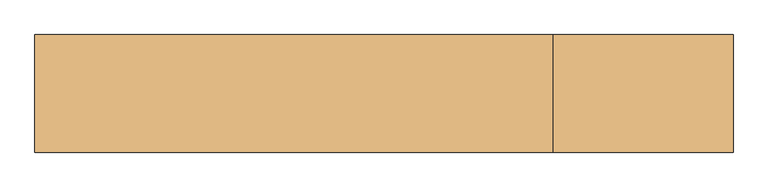
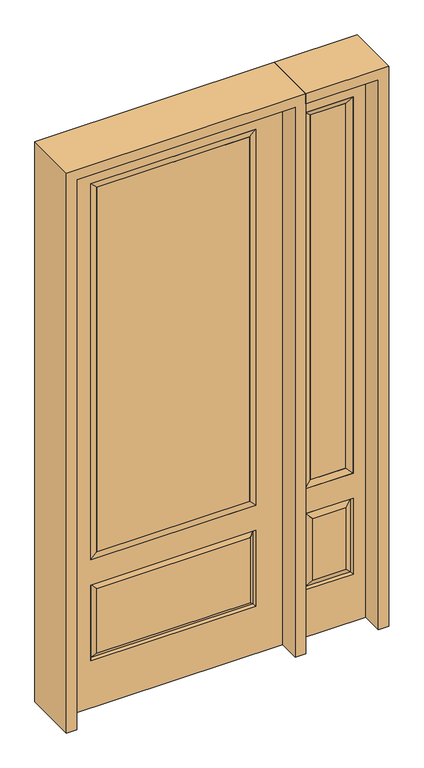
"""IFC4 building model written with IfcOpenShell, lengths in millimetres: door geometry."""

from ifc_helpers import new_model, si_unit, frame, origin, place, context, project, spatial, polyline, outline, extrude, faceted_brep, source, transform, mapped, element, save


def door_d83573a1(model_context):
    return source(origin(), model_context, "Body", "SolidModel", [
        faceted_brep([(501.65, -22.225, 0.0), (806.45, -22.225, 0.0), (806.45, -22.225, 2438.4), (501.65, -22.225, 2438.4), (754.38, -22.225, 2325.624), (754.38, -22.225, 657.098), (553.72, -22.225, 657.098), (553.72, -22.225, 2325.624), (754.38, -22.225, 209.55), (553.72, -22.225, 209.55), (553.72, -22.225, 546.1), (754.38, -22.225, 546.1), (585.4351001, -22.225, 241.2651001), (722.6648999, -22.225, 241.2651001), (722.6648999, -22.225, 514.3848999), (585.4351001, -22.225, 514.3848999), (501.65, 22.225, 0.0), (501.65, 22.225, 2438.4), (806.45, 22.225, 2438.4), (806.45, 22.225, 0.0), (754.38, 22.225, 2325.624), (553.72, 22.225, 2325.624), (553.72, 22.225, 657.098), (754.38, 22.225, 657.098), (553.72, 22.225, 209.55), (754.38, 22.225, 209.55), (754.38, 22.225, 546.1), (553.72, 22.225, 546.1), (722.6648999, 22.225, 241.2651001), (585.4351001, 22.225, 241.2651001), (585.4351001, 22.225, 514.3848999), (722.6648999, 22.225, 514.3848999), (747.2711499, 12.7912373, 216.6588501), (560.8288501, 12.7912373, 216.6588501), (560.8288501, 12.7912373, 538.9911499), (747.2711499, 12.7912373, 538.9911499), (560.8288501, -12.7912373, 216.6588501), (747.2711499, -12.7912373, 216.6588501), (560.8288501, -12.7912373, 538.9911499), (747.2711499, -12.7912373, 538.9911499)], [[[0, 1, 2, 3], [4, 5, 6, 7], [8, 9, 10, 11]], [[12, 13, 14, 15]], [[16, 17, 18, 19], [20, 21, 22, 23], [24, 25, 26, 27]], [[28, 29, 30, 31]], [[1, 0, 16, 19]], [[2, 1, 19, 18]], [[3, 2, 18, 17]], [[0, 3, 17, 16]], [[5, 4, 20, 23]], [[6, 5, 23, 22]], [[7, 6, 22, 21]], [[4, 7, 21, 20]], [[32, 33, 29, 28]], [[33, 32, 25, 24]], [[29, 33, 34, 30]], [[33, 24, 27, 34]], [[30, 34, 35, 31]], [[34, 27, 26, 35]], [[32, 28, 31, 35]], [[25, 32, 35, 26]], [[12, 36, 37, 13]], [[37, 36, 9, 8]], [[36, 12, 15, 38]], [[9, 36, 38, 10]], [[38, 15, 14, 39]], [[10, 38, 39, 11]], [[13, 37, 39, 14]], [[37, 8, 11, 39]]]),
        faceted_brep([(553.72, 22.225, 2325.624), (553.72, -22.225, 2325.624), (754.38, -22.225, 2325.624), (754.38, 22.225, 2325.624), (579.12, 12.7, 2300.224), (728.98, 12.7, 2300.224), (579.12, -12.7, 2300.224), (728.98, -12.7, 2300.224), (754.38, -22.225, 657.098), (754.38, 22.225, 657.098), (728.98, 12.7, 682.498), (728.98, -12.7, 682.498), (553.72, -22.225, 657.098), (553.72, 22.225, 657.098), (579.12, 12.7, 682.498), (579.12, -12.7, 682.498)], [[[0, 1, 2, 3]], [[4, 0, 3, 5]], [[6, 4, 5, 7]], [[1, 6, 7, 2]], [[3, 2, 8, 9]], [[5, 3, 9, 10]], [[7, 5, 10, 11]], [[2, 7, 11, 8]], [[9, 8, 12, 13]], [[10, 9, 13, 14]], [[11, 10, 14, 15]], [[8, 11, 15, 12]], [[13, 12, 1, 0]], [[14, 13, 0, 4]], [[15, 14, 4, 6]], [[12, 15, 6, 1]]]),
        extrude(outline(polyline([(728.98, -12.7), (579.12, -12.7), (579.12, 12.7), (728.98, 12.7), (728.98, -12.7)])), frame((0.0, 0.0, 682.498), z_axis=(0.0, 0.0, 1.0), x_axis=(1.0, 0.0, 0.0)), (0.0, 0.0, 1.0), 1617.726),
        extrude(outline(polyline([(320.675, -20.32), (-320.675, -20.32), (-320.675, 5.08), (320.675, 5.08), (320.675, -20.32)])), frame((0.0, 0.0, 682.498), z_axis=(0.0, 0.0, 1.0), x_axis=(1.0, 0.0, 0.0)), (0.0, 0.0, 1.0), 1616.202),
        faceted_brep([(-338.9661499, -12.7912373, 216.6588501), (338.9661499, -12.7912373, 216.6588501), (321.46875, -22.225, 234.15625), (-321.46875, -22.225, 234.15625), (-346.075, -22.225, 209.55), (346.075, -22.225, 209.55), (-338.9661499, -12.7912373, 538.9911499), (-346.075, -22.225, 546.1), (321.46875, -22.225, 521.49375), (-321.46875, -22.225, 521.49375), (457.2, -22.225, 2438.4), (-457.2, -22.225, 2438.4), (-457.2, -22.225, 0.0), (457.2, -22.225, 0.0), (346.075, -22.225, 546.1), (346.075, -22.225, 2324.1), (346.075, -22.225, 657.098), (-346.075, -22.225, 657.098), (-346.075, -22.225, 2324.1), (338.9661499, -12.7912373, 538.9911499), (-457.2, 22.225, 2438.4), (-457.2, 22.225, 0.0), (457.2, 22.225, 0.0), (457.2, 22.225, 2438.4), (346.075, 22.225, 2324.1), (346.075, 22.225, 657.098), (-346.075, 22.225, 657.098), (-346.075, 22.225, 2324.1), (-346.075, 22.225, 209.55), (346.075, 22.225, 209.55), (346.075, 22.225, 546.1), (-346.075, 22.225, 546.1), (321.46875, 22.225, 234.15625), (-321.46875, 22.225, 234.15625), (-321.46875, 22.225, 521.49375), (321.46875, 22.225, 521.49375), (-338.9661499, 12.7912373, 216.6588501), (338.9661499, 12.7912373, 216.6588501), (338.9661499, 12.7912373, 538.9911499), (-338.9661499, 12.7912373, 538.9911499)], [[[0, 1, 2, 3]], [[1, 0, 4, 5]], [[4, 0, 6, 7]], [[3, 2, 8, 9]], [[10, 11, 12, 13], [5, 4, 7, 14], [15, 16, 17, 18]], [[1, 5, 14, 19]], [[2, 1, 19, 8]], [[0, 3, 9, 6]], [[7, 6, 19, 14]], [[6, 9, 8, 19]], [[12, 11, 20, 21]], [[13, 12, 21, 22]], [[10, 13, 22, 23]], [[16, 15, 24, 25]], [[17, 16, 25, 26]], [[18, 17, 26, 27]], [[23, 22, 21, 20], [28, 29, 30, 31], [24, 27, 26, 25]], [[32, 33, 34, 35]], [[28, 36, 37, 29]], [[29, 37, 38, 30]], [[39, 31, 30, 38]], [[36, 28, 31, 39]], [[37, 36, 33, 32]], [[33, 36, 39, 34]], [[34, 39, 38, 35]], [[37, 32, 35, 38]], [[11, 10, 23, 20]], [[15, 18, 27, 24]]]),
        faceted_brep([(-346.075, -22.225, 2324.1), (-346.075, 22.225, 2324.1), (-346.075, 22.225, 657.098), (-346.075, -22.225, 657.098), (346.075, 22.225, 657.098), (346.075, -22.225, 657.098), (-320.675, 5.08, 682.498), (320.675, 5.08, 682.498), (346.075, 22.225, 2324.1), (346.075, -22.225, 2324.1), (-320.675, -20.32, 682.498), (320.675, -20.32, 682.498), (-320.675, -20.32, 2298.7), (320.675, -20.32, 2298.7), (-320.675, 5.08, 2298.7), (320.675, 5.08, 2298.7)], [[[0, 1, 2, 3]], [[3, 2, 4, 5]], [[2, 6, 7, 4]], [[5, 4, 8, 9]], [[10, 3, 5, 11]], [[12, 0, 3, 10]], [[11, 5, 9, 13]], [[6, 10, 11, 7]], [[14, 12, 10, 6]], [[7, 11, 13, 15]], [[1, 14, 6, 2]], [[4, 7, 15, 8]], [[9, 8, 1, 0]], [[13, 9, 0, 12]], [[15, 13, 12, 14]], [[8, 15, 14, 1]]]),
        extrude(outline(polyline([(2482.85, -501.65), (0.0, -501.65), (0.0, -457.2), (2438.4, -457.2), (2438.4, 457.2), (0.0, 457.2), (0.0, 501.65), (2482.85, 501.65), (2482.85, -501.65)])), frame((0.0, -114.3, 0.0), z_axis=(0.0, 1.0, 0.0), x_axis=(0.0, 0.0, 1.0)), (0.0, 0.0, 1.0), 228.6),
        extrude(outline(polyline([(0.0, 806.45), (0.0, 850.9), (2482.85, 850.9), (2482.85, 501.65), (2438.4, 501.65), (2438.4, 806.45), (0.0, 806.45)])), frame((0.0, -114.3, 0.0), z_axis=(0.0, 1.0, 0.0), x_axis=(0.0, 0.0, 1.0)), (0.0, 0.0, 1.0), 228.6),
    ])


if __name__ == "__main__":
    model = new_model("IFC4")
    model_context = context("Model", 3, world=origin())
    ifc_project = project(units=[si_unit("LENGTHUNIT", "METRE", prefix="MILLI")], contexts=[model_context])
    site = spatial("IfcSite", under=ifc_project)
    building = spatial("IfcBuilding", under=site)
    placement = place(None, origin())
    door_shape = door_d83573a1(model_context)
    element("IfcDoor", 1, at=placement, inside=building, context=model_context, shape_type="MappedRepresentation", body=[
        mapped(door_shape, transform((0.0, 0.0, 0.0), x_axis=(1.0, 0.0, 0.0), y_axis=(0.0, 1.0, 0.0), z_axis=(0.0, 0.0, 1.0))),
    ])
    save(model, "model.ifc")
